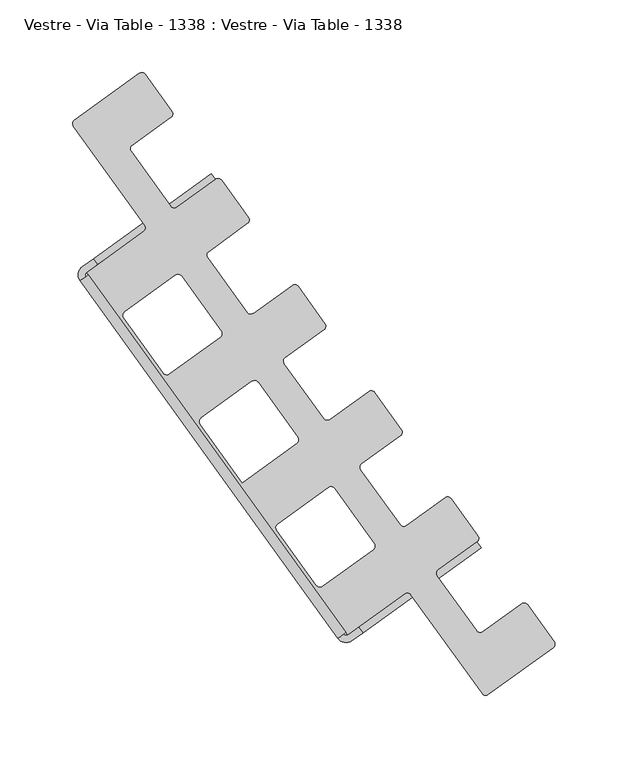
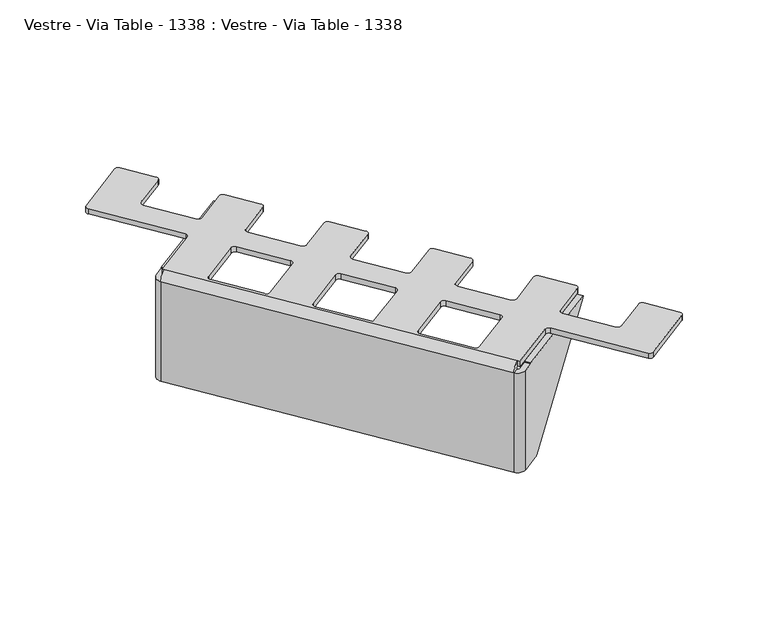
"""IFC4 building model written with IfcOpenShell, lengths in millimetres: furniture geometry, Vestre - Via Table - 1338 : Vestre - Via Table - 1338."""

from ifc_helpers import new_model, si_unit, frame, origin, place, context, project, spatial, polyline, circle_curve, source, transform, mapped, element, save
from ifc_brep_helpers import plane_surface, cylinder_surface, revolved_surface, advanced_brep


def vestre_via_table_1338_vestre_via_table_1338_190912c8(model_context):
    return source(origin(), model_context, "Body", "AdvancedBrep", [
        advanced_brep(
        [(-434.3837169, 55.7606869, 591.4857199), (-505.6182177, 4.4280466, 498.1396839), (-507.3910709, 3.1505022, 497.1951332), (-522.5649807, -7.7840427, 497.1951332), (-522.5649807, -7.7840427, 592.3451332), (-514.8576522, -2.2300272, 592.3451332), (-514.8576522, -2.2300272, 593.3451332), (-433.7278789, 56.2332936, 593.3451332), (-431.4605509, 51.7041983, 591.4857199), (-430.8047129, 52.1768049, 593.3451332), (-511.9344862, -6.2865159, 593.3451332), (-511.9344862, -6.2865159, 592.3451332), (-519.6418146, -11.8405314, 592.3451332), (-519.6418146, -11.8405314, 497.1951332), (-504.4679049, -0.9059864, 497.1951332), (-502.6950517, 0.371558, 498.1396839), (-524.1516324, -17.5555593, 592.3451332), (-520.0951437, -14.6323933, 592.3451332), (-520.0951437, -14.6323933, 497.1951332), (-342.834355, -260.617866, 497.1951332), (-340.0424931, -261.071195, 497.1951332), (-324.8685834, -250.1366501, 497.1951332), (-321.9454173, -254.1931387, 497.1951332), (-337.1193271, -265.1276837, 497.1951332), (-346.8908437, -263.541032, 497.1951332), (-524.1516324, -17.5555593, 497.1951332), (-341.2117595, -259.4485996, 599.3451332), (-346.8908437, -263.541032, 592.3451332), (-342.834355, -260.617866, 592.3451332), (-341.2117595, -259.4485996, 594.3451332), (-518.4725482, -13.4631268, 594.3451332), (-518.4725482, -13.4631268, 599.3451332), (-248.9380633, -201.582954, 591.4857199), (-248.2822253, -201.1103474, 593.3451332), (-329.4119986, -259.5736682, 593.3451332), (-329.4119986, -259.5736682, 592.3451332), (-337.1193271, -265.1276837, 592.3451332), (-320.1725641, -252.9155943, 498.1396839), (-251.8612294, -197.5264654, 591.4857199), (-323.0957301, -248.8591057, 498.1396839), (-340.0424931, -261.071195, 592.3451332), (-332.3351646, -255.5171795, 592.3451332), (-332.3351646, -255.5171795, 593.3451332), (-251.2053913, -197.0538587, 593.3451332), (-321.4414059, -94.4556509, 599.3451332), (-325.6291987, -93.7756573, 599.3451332), (-352.4020239, -113.0685532, 599.3451332), (-356.5898167, -112.3885596, 599.3451332), (-383.8337242, -74.5820852, 599.3451332), (-383.1537307, -70.3942924, 599.3451332), (-356.3809055, -51.1013965, 599.3451332), (-355.7009119, -46.9136037, 599.3451332), (-374.0583946, -21.4388549, 599.3451332), (-378.2461874, -20.7588613, 599.3451332), (-405.0190126, -40.0517572, 599.3451332), (-409.2068055, -39.3717636, 599.3451332), (-436.450713, -1.5652892, 599.3451332), (-435.7707194, 2.6225036, 599.3451332), (-408.9978942, 21.9153995, 599.3451332), (-408.3179006, 26.1031923, 599.3451332), (-426.6753834, 51.5779411, 599.3451332), (-430.8631762, 52.2579347, 599.3451332), (-457.6360014, 32.9650388, 599.3451332), (-461.8237942, 33.6450324, 599.3451332), (-489.0677017, 71.4515068, 599.3451332), (-488.3877081, 75.6392996, 599.3451332), (-461.6148829, 94.9321955, 599.3451332), (-460.9348893, 99.1199883, 599.3451332), (-479.1754454, 124.4324776, 599.3451332), (-483.3632383, 125.1124711, 599.3451332), (-527.9846136, 92.9576447, 599.3451332), (-528.6646072, 88.7698519, 599.3451332), (-479.613881, 20.701972, 599.3451332), (-480.2938746, 16.5141792, 599.3451332), (-519.6418146, -11.8405314, 599.3451332), (-340.0424931, -261.071195, 599.3451332), (-300.694553, -232.7164844, 599.3451332), (-296.5067602, -233.396478, 599.3451332), (-247.4560341, -301.4643578, 599.3451332), (-243.2682412, -302.1443514, 599.3451332), (-198.6468659, -269.989525, 599.3451332), (-197.9668723, -265.8017321, 599.3451332), (-216.2074284, -240.4892429, 599.3451332), (-220.3952213, -239.8092493, 599.3451332), (-247.1680465, -259.1021451, 599.3451332), (-251.3558393, -258.4221516, 599.3451332), (-278.5997468, -220.6156772, 599.3451332), (-277.9197532, -216.4278844, 599.3451332), (-251.146928, -197.1349885, 599.3451332), (-250.4669344, -192.9471957, 599.3451332), (-268.8244172, -167.4724469, 599.3451332), (-273.01221, -166.7924533, 599.3451332), (-299.7850352, -186.0853492, 599.3451332), (-303.972828, -185.4053556, 599.3451332), (-331.2167355, -147.5988812, 599.3451332), (-330.5367419, -143.4110884, 599.3451332), (-303.7639167, -124.1181925, 599.3451332), (-303.0839232, -119.9303997, 599.3451332), (-353.2530785, -159.7808182, 599.3451332), (-349.0652856, -160.4608118, 599.3451332), (-321.8213781, -198.2672862, 599.3451332), (-322.5013717, -202.455079, 599.3451332), (-357.3871742, -227.5943069, 599.3451332), (-361.5749671, -226.9143134, 599.3451332), (-388.8188746, -189.107839, 599.3451332), (-388.138881, -184.9200462, 599.3451332), (-405.8700672, -86.7640222, 599.3451332), (-401.6822744, -87.4440158, 599.3451332), (-374.4383669, -125.2504902, 599.3451332), (-375.1183604, -129.438283, 599.3451332), (-412.4380562, -156.3314106, 599.3451332), (-441.4358633, -116.091043, 599.3451332), (-440.7558697, -111.9032502, 599.3451332), (-458.4870559, -13.7472262, 599.3451332), (-454.2992631, -14.4272198, 599.3451332), (-427.0553556, -52.2336942, 599.3451332), (-427.7353492, -56.421487, 599.3451332), (-462.6211517, -81.5607149, 599.3451332), (-466.8089445, -80.8807214, 599.3451332), (-494.052852, -43.074247, 599.3451332), (-493.3728584, -38.8864542, 599.3451332), (-321.4414059, -94.4556509, 594.3451332), (-303.0839232, -119.9303997, 594.3451332), (-303.7639167, -124.1181925, 594.3451332), (-330.5367419, -143.4110884, 594.3451332), (-331.2167355, -147.5988812, 594.3451332), (-303.972828, -185.4053556, 594.3451332), (-299.7850352, -186.0853492, 594.3451332), (-273.01221, -166.7924533, 594.3451332), (-268.8244172, -167.4724469, 594.3451332), (-250.4669344, -192.9471957, 594.3451332), (-251.146928, -197.1349885, 594.3451332), (-277.9197532, -216.4278844, 594.3451332), (-278.5997468, -220.6156772, 594.3451332), (-251.3558393, -258.4221516, 594.3451332), (-247.1680465, -259.1021451, 594.3451332), (-220.3952213, -239.8092493, 594.3451332), (-216.2074284, -240.4892429, 594.3451332), (-197.9668723, -265.8017321, 594.3451332), (-198.6468659, -269.989525, 594.3451332), (-243.2682412, -302.1443514, 594.3451332), (-247.4560341, -301.4643578, 594.3451332), (-296.5067602, -233.396478, 594.3451332), (-300.694553, -232.7164844, 594.3451332), (-340.0424931, -261.071195, 594.3451332), (-519.6418146, -11.8405314, 594.3451332), (-480.2938746, 16.5141792, 594.3451332), (-479.613881, 20.701972, 594.3451332), (-528.6646072, 88.7698519, 594.3451332), (-527.9846136, 92.9576447, 594.3451332), (-483.3632383, 125.1124711, 594.3451332), (-479.1754454, 124.4324776, 594.3451332), (-460.9348893, 99.1199883, 594.3451332), (-461.6148829, 94.9321955, 594.3451332), (-488.3877081, 75.6392996, 594.3451332), (-489.0677017, 71.4515068, 594.3451332), (-461.8237942, 33.6450324, 594.3451332), (-457.6360014, 32.9650388, 594.3451332), (-430.8631762, 52.2579347, 594.3451332), (-426.6753834, 51.5779411, 594.3451332), (-408.3179006, 26.1031923, 594.3451332), (-408.9978942, 21.9153995, 594.3451332), (-435.7707194, 2.6225036, 594.3451332), (-436.450713, -1.5652892, 594.3451332), (-409.2068055, -39.3717636, 594.3451332), (-405.0190126, -40.0517572, 594.3451332), (-378.2461874, -20.7588613, 594.3451332), (-374.0583946, -21.4388549, 594.3451332), (-355.7009119, -46.9136037, 594.3451332), (-356.3809055, -51.1013965, 594.3451332), (-383.1537307, -70.3942924, 594.3451332), (-383.8337242, -74.5820852, 594.3451332), (-356.5898167, -112.3885596, 594.3451332), (-352.4020239, -113.0685532, 594.3451332), (-325.6291987, -93.7756573, 594.3451332), (-353.2530785, -159.7808182, 594.3451332), (-388.138881, -184.9200462, 594.3451332), (-388.8188746, -189.107839, 594.3451332), (-361.5749671, -226.9143134, 594.3451332), (-357.3871742, -227.5943069, 594.3451332), (-322.5013717, -202.455079, 594.3451332), (-321.8213781, -198.2672862, 594.3451332), (-349.0652856, -160.4608118, 594.3451332), (-405.8700672, -86.7640222, 594.3451332), (-440.7558697, -111.9032502, 594.3451332), (-441.4358633, -116.091043, 594.3451332), (-412.4380562, -156.3314106, 594.3451332), (-375.1183604, -129.438283, 594.3451332), (-374.4383669, -125.2504902, 594.3451332), (-401.6822744, -87.4440158, 594.3451332), (-458.4870559, -13.7472262, 594.3451332), (-493.3728584, -38.8864542, 594.3451332), (-494.052852, -43.074247, 594.3451332), (-466.8089445, -80.8807214, 594.3451332), (-462.6211517, -81.5607149, 594.3451332), (-427.7353492, -56.421487, 594.3451332), (-427.0553556, -52.2336942, 594.3451332), (-454.2992631, -14.4272198, 594.3451332)],
        [
            (0, 1),
            (1, 2, circle_curve(frame((-507.3910709, 3.1505022, 500.1951332), z_axis=(-0.5846332081202801, 0.8112977332416191, 0.0), x_axis=(0.0, 0.0, -1.0)), 3.0)),
            (2, 3),
            (3, 4),
            (4, 5),
            (5, 6),
            (6, 7),
            (7, 0, circle_curve(frame((-436.1565702, 54.4831425, 593.5411692), z_axis=(-0.5846332081209136, 0.8112977332411626, 0.0), x_axis=(0.8095637557041232, 0.5833836781287255, -0.06534531003243231)), 3.0)),
            (8, 9, circle_curve(frame((-433.2334041, 50.4266539, 593.5411692), z_axis=(0.5846332081209136, -0.8112977332411626, 0.0), x_axis=(0.8095637557041232, 0.5833836781287255, -0.06534531003243231)), 3.0)),
            (9, 10),
            (10, 11),
            (11, 12),
            (12, 13),
            (13, 14),
            (14, 15, circle_curve(frame((-504.4679049, -0.9059864, 500.1951332), z_axis=(0.5846332081202801, -0.8112977332416191, 0.0), x_axis=(0.0, 0.0, -1.0)), 3.0)),
            (15, 8),
            (7, 9),
            (8, 0),
            (6, 10),
            (5, 11),
            (4, 16, circle_curve(frame((-518.4725482, -13.4631268, 592.3451332), z_axis=(0.0, 0.0, 1.0), x_axis=(0.8112977332413683, 0.5846332081206281, 0.0)), 7.0)),
            (16, 17),
            (17, 12, circle_curve(frame((-518.4725482, -13.4631268, 592.3451332), z_axis=(0.0, 0.0, -1.0), x_axis=(0.8112977332413683, 0.5846332081206281, 0.0)), 2.0)),
            (2, 14),
            (13, 18, circle_curve(frame((-518.4725482, -13.4631268, 497.1951332), z_axis=(0.0, 0.0, 1.0), x_axis=(0.8112977332413683, 0.5846332081206281, 0.0)), 2.0)),
            (18, 19),
            (19, 20, circle_curve(frame((-341.2117595, -259.4485996, 497.1951332), z_axis=(0.0, 0.0, 1.0), x_axis=(0.8112977332413683, 0.5846332081206281, 0.0)), 2.0)),
            (20, 21),
            (21, 22),
            (22, 23),
            (23, 24, circle_curve(frame((-341.2117595, -259.4485996, 497.1951332), z_axis=(0.0, 0.0, -1.0), x_axis=(0.8112977332413683, 0.5846332081206281, 0.0)), 7.0)),
            (24, 25),
            (25, 3, circle_curve(frame((-518.4725482, -13.4631268, 497.1951332), z_axis=(0.0, 0.0, -1.0), x_axis=(0.8112977332413683, 0.5846332081206281, 0.0)), 7.0)),
            (1, 15),
            (17, 18),
            (25, 16),
            (26, 27, circle_curve(frame((-341.2117595, -259.4485996, 592.3451332), z_axis=(0.5846332081206281, -0.8112977332413683, 0.0), x_axis=(0.8112977332413683, 0.5846332081206281, 0.0)), 7.0)),
            (27, 28),
            (28, 29, circle_curve(frame((-341.2117595, -259.4485996, 592.3451332), z_axis=(-0.5846332081206281, 0.8112977332413683, 0.0), x_axis=(0.8112977332413683, 0.5846332081206281, 0.0)), 2.0)),
            (29, 26),
            (30, 17, circle_curve(frame((-518.4725482, -13.4631268, 592.3451332), z_axis=(0.5846332081206281, -0.8112977332413683, 0.0), x_axis=(0.8112977332413683, 0.5846332081206281, 0.0)), 2.0)),
            (16, 31, circle_curve(frame((-518.4725482, -13.4631268, 592.3451332), z_axis=(-0.5846332081206281, 0.8112977332413683, 0.0), x_axis=(0.8112977332413683, 0.5846332081206281, 0.0)), 7.0)),
            (31, 30),
            (26, 31),
            (16, 27),
            (28, 17),
            (30, 29),
            (24, 27),
            (28, 19),
            (32, 33, circle_curve(frame((-250.7109165, -202.8604984, 593.5411692), z_axis=(0.5846332081203428, -0.811297733241574, 0.0), x_axis=(0.8095637557045451, 0.5833836781281396, -0.0653453100324323)), 3.0)),
            (33, 34),
            (34, 35),
            (35, 36),
            (36, 23),
            (22, 37, circle_curve(frame((-321.9454173, -254.1931387, 500.1951332), z_axis=(0.5846332081209762, -0.8112977332411175, 0.0), x_axis=(0.0, 0.0, -1.0)), 3.0)),
            (37, 32),
            (38, 39),
            (39, 21, circle_curve(frame((-324.8685834, -250.1366501, 500.1951332), z_axis=(-0.5846332081209762, 0.8112977332411175, 0.0), x_axis=(0.0, 0.0, -1.0)), 3.0)),
            (20, 40),
            (40, 41),
            (41, 42),
            (42, 43),
            (43, 38, circle_curve(frame((-253.6340826, -198.8040098, 593.5411692), z_axis=(-0.5846332081203428, 0.811297733241574, 0.0), x_axis=(0.8095637557045451, 0.5833836781281396, -0.0653453100324323)), 3.0)),
            (32, 38),
            (43, 33),
            (42, 34),
            (41, 35),
            (40, 28, circle_curve(frame((-341.2117595, -259.4485996, 592.3451332), z_axis=(0.0, 0.0, -1.0), x_axis=(0.8112977332413683, 0.5846332081206281, 0.0)), 2.0)),
            (27, 36, circle_curve(frame((-341.2117595, -259.4485996, 592.3451332), z_axis=(0.0, 0.0, 1.0), x_axis=(0.8112977332413683, 0.5846332081206281, 0.0)), 7.0)),
            (39, 37),
            (44, 45, circle_curve(frame((-323.8752991, -96.2095505, 599.3451332), z_axis=(0.0, 0.0, 1.0), x_axis=(-0.5846332081207013, 0.8112977332413156, 0.0)), 3.0)),
            (45, 46),
            (46, 47, circle_curve(frame((-354.1559235, -110.63466, 599.3451332), z_axis=(0.0, 0.0, -1.0), x_axis=(0.5846332081206281, -0.8112977332413683, 0.0)), 3.0)),
            (47, 48),
            (48, 49, circle_curve(frame((-381.399831, -72.8281856, 599.3451332), z_axis=(0.0, 0.0, -1.0), x_axis=(-0.8112977332414211, -0.584633208120555, 0.0)), 3.0)),
            (49, 50),
            (50, 51, circle_curve(frame((-358.1348051, -48.6675033, 599.3451332), z_axis=(0.0, 0.0, 1.0), x_axis=(0.8112977332412629, 0.5846332081207746, 0.0)), 3.0)),
            (51, 52),
            (52, 53, circle_curve(frame((-376.4922878, -23.1927545, 599.3451332), z_axis=(0.0, 0.0, 1.0), x_axis=(-0.584633208120555, 0.8112977332414211, 0.0)), 3.0)),
            (53, 54),
            (54, 55, circle_curve(frame((-406.7729123, -37.617864, 599.3451332), z_axis=(0.0, 0.0, -1.0), x_axis=(0.5846332081205915, -0.8112977332413948, 0.0)), 3.0)),
            (55, 56),
            (56, 57, circle_curve(frame((-434.0168198, 0.1886104, 599.3451332), z_axis=(0.0, 0.0, -1.0), x_axis=(-0.8112977332412629, -0.5846332081207746, 0.0)), 3.0)),
            (57, 58),
            (58, 59, circle_curve(frame((-410.7517938, 24.3492927, 599.3451332), z_axis=(0.0, 0.0, 1.0), x_axis=(0.8112977332412629, 0.5846332081207746, 0.0)), 3.0)),
            (59, 60),
            (60, 61, circle_curve(frame((-429.1092766, 49.8240415, 599.3451332), z_axis=(0.0, 0.0, 1.0), x_axis=(-0.584633208120555, 0.8112977332414211, 0.0)), 3.0)),
            (61, 62),
            (62, 63, circle_curve(frame((-459.389901, 35.398932, 599.3451332), z_axis=(0.0, 0.0, -1.0), x_axis=(0.5846332081205915, -0.8112977332413948, 0.0)), 3.0)),
            (63, 64),
            (64, 65, circle_curve(frame((-486.6338085, 73.2054064, 599.3451332), z_axis=(0.0, 0.0, -1.0), x_axis=(-0.8112977332413156, -0.5846332081207013, 0.0)), 3.0)),
            (65, 66),
            (66, 67, circle_curve(frame((-463.3687825, 97.3660887, 599.3451332), z_axis=(0.0, 0.0, 1.0), x_axis=(0.81129773324121, 0.5846332081208477, 0.0)), 3.0)),
            (67, 68),
            (68, 69, circle_curve(frame((-481.6093386, 122.6785779, 599.3451332), z_axis=(0.0, 0.0, 1.0), x_axis=(-0.5846332081207379, 0.8112977332412892, 0.0)), 3.0)),
            (69, 70),
            (70, 71, circle_curve(frame((-526.230714, 90.5237515, 599.3451332), z_axis=(0.0, 0.0, 1.0), x_axis=(-0.5846332081204085, 0.8112977332415267, 0.0)), 3.0)),
            (71, 72),
            (72, 73, circle_curve(frame((-482.0477742, 18.9480724, 599.3451332), z_axis=(0.0, 0.0, -1.0), x_axis=(0.8112977332413156, 0.5846332081207013, 0.0)), 3.0)),
            (73, 74),
            (74, 31),
            (26, 75),
            (75, 76),
            (76, 77, circle_curve(frame((-298.9406534, -235.1503776, 599.3451332), z_axis=(0.0, 0.0, -1.0), x_axis=(-0.5846332081206281, 0.8112977332413683, 0.0)), 3.0)),
            (77, 78),
            (78, 79, circle_curve(frame((-245.0221409, -299.7104582, 599.3451332), z_axis=(0.0, 0.0, 1.0), x_axis=(0.5846332081206281, -0.8112977332413683, 0.0)), 3.0)),
            (79, 80),
            (80, 81, circle_curve(frame((-200.4007655, -267.5556318, 599.3451332), z_axis=(0.0, 0.0, 1.0), x_axis=(0.8112977332413683, 0.5846332081206281, 0.0)), 3.0)),
            (81, 82),
            (82, 83, circle_curve(frame((-218.6413216, -242.2431425, 599.3451332), z_axis=(0.0, 0.0, 1.0), x_axis=(-0.584633208120555, 0.8112977332414211, 0.0)), 3.0)),
            (83, 84),
            (84, 85, circle_curve(frame((-248.9219461, -256.6682519, 599.3451332), z_axis=(0.0, 0.0, -1.0), x_axis=(0.5846332081205915, -0.8112977332413948, 0.0)), 3.0)),
            (85, 86),
            (86, 87, circle_curve(frame((-276.1658536, -218.8617776, 599.3451332), z_axis=(0.0, 0.0, -1.0), x_axis=(-0.8112977332413156, -0.5846332081207013, 0.0)), 3.0)),
            (87, 88),
            (88, 89, circle_curve(frame((-252.9008276, -194.7010953, 599.3451332), z_axis=(0.0, 0.0, 1.0), x_axis=(0.8112977332414211, 0.584633208120555, 0.0)), 3.0)),
            (89, 90),
            (90, 91, circle_curve(frame((-271.2583104, -169.2263465, 599.3451332), z_axis=(0.0, 0.0, 1.0), x_axis=(-0.584633208120555, 0.8112977332414211, 0.0)), 3.0)),
            (91, 92),
            (92, 93, circle_curve(frame((-301.5389348, -183.651456, 599.3451332), z_axis=(0.0, 0.0, -1.0), x_axis=(0.5846332081207379, -0.8112977332412892, 0.0)), 3.0)),
            (93, 94),
            (94, 95, circle_curve(frame((-328.7828423, -145.8449816, 599.3451332), z_axis=(0.0, 0.0, -1.0), x_axis=(-0.8112977332415794, -0.5846332081203353, 0.0)), 3.0)),
            (95, 96),
            (96, 97, circle_curve(frame((-305.5178164, -121.6842993, 599.3451332), z_axis=(0.0, 0.0, 1.0), x_axis=(0.8112977332413156, 0.5846332081207013, 0.0)), 3.0)),
            (97, 44),
            (98, 99, circle_curve(frame((-351.4991788, -162.2147114, 599.3451332), z_axis=(0.0, 0.0, -1.0), x_axis=(-0.584633208120555, 0.8112977332414211, 0.0)), 3.0)),
            (99, 100),
            (100, 101, circle_curve(frame((-324.2552713, -200.0211858, 599.3451332), z_axis=(0.0, 0.0, -1.0), x_axis=(0.8112977332413156, 0.5846332081207013, 0.0)), 3.0)),
            (101, 102),
            (102, 103, circle_curve(frame((-359.1410739, -225.1604137, 599.3451332), z_axis=(0.0, 0.0, -1.0), x_axis=(0.5846332081206648, -0.8112977332413419, 0.0)), 3.0)),
            (103, 104),
            (104, 105, circle_curve(frame((-386.3849814, -187.3539394, 599.3451332), z_axis=(0.0, 0.0, -1.0), x_axis=(-0.8112977332413683, -0.5846332081206281, 0.0)), 3.0)),
            (105, 98),
            (106, 107, circle_curve(frame((-404.1161676, -89.1979154, 599.3451332), z_axis=(0.0, 0.0, -1.0), x_axis=(-0.584633208120555, 0.8112977332414211, 0.0)), 3.0)),
            (107, 108),
            (108, 109, circle_curve(frame((-376.8722601, -127.0043898, 599.3451332), z_axis=(0.0, 0.0, -1.0), x_axis=(0.8112977332413156, 0.5846332081207013, 0.0)), 3.0)),
            (109, 110),
            (110, 111),
            (111, 112, circle_curve(frame((-439.0019701, -114.3371434, 599.3451332), z_axis=(0.0, 0.0, -1.0), x_axis=(-0.8112977332414211, -0.584633208120555, 0.0)), 3.0)),
            (112, 106),
            (113, 114, circle_curve(frame((-456.7331563, -16.1811194, 599.3451332), z_axis=(0.0, 0.0, -1.0), x_axis=(-0.584633208120555, 0.8112977332414211, 0.0)), 3.0)),
            (114, 115),
            (115, 116, circle_curve(frame((-429.4892488, -53.9875938, 599.3451332), z_axis=(0.0, 0.0, -1.0), x_axis=(0.8112977332413156, 0.5846332081207013, 0.0)), 3.0)),
            (116, 117),
            (117, 118, circle_curve(frame((-464.3750513, -79.1268217, 599.3451332), z_axis=(0.0, 0.0, -1.0), x_axis=(0.5846332081207379, -0.8112977332412892, 0.0)), 3.0)),
            (118, 119),
            (119, 120, circle_curve(frame((-491.6189588, -41.3203474, 599.3451332), z_axis=(0.0, 0.0, -1.0), x_axis=(-0.8112977332413156, -0.5846332081207013, 0.0)), 3.0)),
            (120, 113),
            (121, 122),
            (122, 123, circle_curve(frame((-305.5178164, -121.6842993, 594.3451332), z_axis=(0.0, 0.0, -1.0), x_axis=(0.8112977332413156, 0.5846332081207013, 0.0)), 3.0)),
            (123, 124),
            (124, 125, circle_curve(frame((-328.7828423, -145.8449816, 594.3451332), z_axis=(0.0, 0.0, 1.0), x_axis=(-0.8112977332415794, -0.5846332081203353, 0.0)), 3.0)),
            (125, 126),
            (126, 127, circle_curve(frame((-301.5389348, -183.651456, 594.3451332), z_axis=(0.0, 0.0, 1.0), x_axis=(0.5846332081207379, -0.8112977332412892, 0.0)), 3.0)),
            (127, 128),
            (128, 129, circle_curve(frame((-271.2583104, -169.2263465, 594.3451332), z_axis=(0.0, 0.0, -1.0), x_axis=(-0.584633208120555, 0.8112977332414211, 0.0)), 3.0)),
            (129, 130),
            (130, 131, circle_curve(frame((-252.9008276, -194.7010953, 594.3451332), z_axis=(0.0, 0.0, -1.0), x_axis=(0.8112977332414211, 0.584633208120555, 0.0)), 3.0)),
            (131, 132),
            (132, 133, circle_curve(frame((-276.1658536, -218.8617776, 594.3451332), z_axis=(0.0, 0.0, 1.0), x_axis=(-0.8112977332413156, -0.5846332081207013, 0.0)), 3.0)),
            (133, 134),
            (134, 135, circle_curve(frame((-248.9219461, -256.6682519, 594.3451332), z_axis=(0.0, 0.0, 1.0), x_axis=(0.5846332081205915, -0.8112977332413948, 0.0)), 3.0)),
            (135, 136),
            (136, 137, circle_curve(frame((-218.6413216, -242.2431425, 594.3451332), z_axis=(0.0, 0.0, -1.0), x_axis=(-0.584633208120555, 0.8112977332414211, 0.0)), 3.0)),
            (137, 138),
            (138, 139, circle_curve(frame((-200.4007655, -267.5556318, 594.3451332), z_axis=(0.0, 0.0, -1.0), x_axis=(0.8112977332413683, 0.5846332081206281, 0.0)), 3.0)),
            (139, 140),
            (140, 141, circle_curve(frame((-245.0221409, -299.7104582, 594.3451332), z_axis=(0.0, 0.0, -1.0), x_axis=(0.5846332081206281, -0.8112977332413683, 0.0)), 3.0)),
            (141, 142),
            (142, 143, circle_curve(frame((-298.9406534, -235.1503776, 594.3451332), z_axis=(0.0, 0.0, 1.0), x_axis=(-0.5846332081206281, 0.8112977332413683, 0.0)), 3.0)),
            (143, 144),
            (144, 29),
            (30, 145),
            (145, 146),
            (146, 147, circle_curve(frame((-482.0477742, 18.9480724, 594.3451332), z_axis=(0.0, 0.0, 1.0), x_axis=(0.8112977332413156, 0.5846332081207013, 0.0)), 3.0)),
            (147, 148),
            (148, 149, circle_curve(frame((-526.230714, 90.5237515, 594.3451332), z_axis=(0.0, 0.0, -1.0), x_axis=(-0.5846332081204085, 0.8112977332415267, 0.0)), 3.0)),
            (149, 150),
            (150, 151, circle_curve(frame((-481.6093386, 122.6785779, 594.3451332), z_axis=(0.0, 0.0, -1.0), x_axis=(-0.5846332081207379, 0.8112977332412892, 0.0)), 3.0)),
            (151, 152),
            (152, 153, circle_curve(frame((-463.3687825, 97.3660887, 594.3451332), z_axis=(0.0, 0.0, -1.0), x_axis=(0.81129773324121, 0.5846332081208477, 0.0)), 3.0)),
            (153, 154),
            (154, 155, circle_curve(frame((-486.6338085, 73.2054064, 594.3451332), z_axis=(0.0, 0.0, 1.0), x_axis=(-0.8112977332413156, -0.5846332081207013, 0.0)), 3.0)),
            (155, 156),
            (156, 157, circle_curve(frame((-459.389901, 35.398932, 594.3451332), z_axis=(0.0, 0.0, 1.0), x_axis=(0.5846332081205915, -0.8112977332413948, 0.0)), 3.0)),
            (157, 158),
            (158, 159, circle_curve(frame((-429.1092766, 49.8240415, 594.3451332), z_axis=(0.0, 0.0, -1.0), x_axis=(-0.584633208120555, 0.8112977332414211, 0.0)), 3.0)),
            (159, 160),
            (160, 161, circle_curve(frame((-410.7517938, 24.3492927, 594.3451332), z_axis=(0.0, 0.0, -1.0), x_axis=(0.8112977332412629, 0.5846332081207746, 0.0)), 3.0)),
            (161, 162),
            (162, 163, circle_curve(frame((-434.0168198, 0.1886104, 594.3451332), z_axis=(0.0, 0.0, 1.0), x_axis=(-0.8112977332412629, -0.5846332081207746, 0.0)), 3.0)),
            (163, 164),
            (164, 165, circle_curve(frame((-406.7729123, -37.617864, 594.3451332), z_axis=(0.0, 0.0, 1.0), x_axis=(0.5846332081205915, -0.8112977332413948, 0.0)), 3.0)),
            (165, 166),
            (166, 167, circle_curve(frame((-376.4922878, -23.1927545, 594.3451332), z_axis=(0.0, 0.0, -1.0), x_axis=(-0.584633208120555, 0.8112977332414211, 0.0)), 3.0)),
            (167, 168),
            (168, 169, circle_curve(frame((-358.1348051, -48.6675033, 594.3451332), z_axis=(0.0, 0.0, -1.0), x_axis=(0.8112977332412629, 0.5846332081207746, 0.0)), 3.0)),
            (169, 170),
            (170, 171, circle_curve(frame((-381.399831, -72.8281856, 594.3451332), z_axis=(0.0, 0.0, 1.0), x_axis=(-0.8112977332414211, -0.584633208120555, 0.0)), 3.0)),
            (171, 172),
            (172, 173, circle_curve(frame((-354.1559235, -110.63466, 594.3451332), z_axis=(0.0, 0.0, 1.0), x_axis=(0.5846332081206281, -0.8112977332413683, 0.0)), 3.0)),
            (173, 174),
            (174, 121, circle_curve(frame((-323.8752991, -96.2095505, 594.3451332), z_axis=(0.0, 0.0, -1.0), x_axis=(-0.5846332081207013, 0.8112977332413156, 0.0)), 3.0)),
            (175, 176),
            (176, 177, circle_curve(frame((-386.3849814, -187.3539394, 594.3451332), z_axis=(0.0, 0.0, 1.0), x_axis=(-0.8112977332413683, -0.5846332081206281, 0.0)), 3.0)),
            (177, 178),
            (178, 179, circle_curve(frame((-359.1410739, -225.1604137, 594.3451332), z_axis=(0.0, 0.0, 1.0), x_axis=(0.5846332081206648, -0.8112977332413419, 0.0)), 3.0)),
            (179, 180),
            (180, 181, circle_curve(frame((-324.2552713, -200.0211858, 594.3451332), z_axis=(0.0, 0.0, 1.0), x_axis=(0.8112977332413156, 0.5846332081207013, 0.0)), 3.0)),
            (181, 182),
            (182, 175, circle_curve(frame((-351.4991788, -162.2147114, 594.3451332), z_axis=(0.0, 0.0, 1.0), x_axis=(-0.584633208120555, 0.8112977332414211, 0.0)), 3.0)),
            (183, 184),
            (184, 185, circle_curve(frame((-439.0019701, -114.3371434, 594.3451332), z_axis=(0.0, 0.0, 1.0), x_axis=(-0.8112977332414211, -0.584633208120555, 0.0)), 3.0)),
            (185, 186),
            (186, 187),
            (187, 188, circle_curve(frame((-376.8722601, -127.0043898, 594.3451332), z_axis=(0.0, 0.0, 1.0), x_axis=(0.8112977332413156, 0.5846332081207013, 0.0)), 3.0)),
            (188, 189),
            (189, 183, circle_curve(frame((-404.1161676, -89.1979154, 594.3451332), z_axis=(0.0, 0.0, 1.0), x_axis=(-0.584633208120555, 0.8112977332414211, 0.0)), 3.0)),
            (190, 191),
            (191, 192, circle_curve(frame((-491.6189588, -41.3203474, 594.3451332), z_axis=(0.0, 0.0, 1.0), x_axis=(-0.8112977332413156, -0.5846332081207013, 0.0)), 3.0)),
            (192, 193),
            (193, 194, circle_curve(frame((-464.3750513, -79.1268217, 594.3451332), z_axis=(0.0, 0.0, 1.0), x_axis=(0.5846332081207379, -0.8112977332412892, 0.0)), 3.0)),
            (194, 195),
            (195, 196, circle_curve(frame((-429.4892488, -53.9875938, 594.3451332), z_axis=(0.0, 0.0, 1.0), x_axis=(0.8112977332413156, 0.5846332081207013, 0.0)), 3.0)),
            (196, 197),
            (197, 190, circle_curve(frame((-456.7331563, -16.1811194, 594.3451332), z_axis=(0.0, 0.0, 1.0), x_axis=(-0.584633208120555, 0.8112977332414211, 0.0)), 3.0)),
            (44, 121),
            (174, 45),
            (173, 46),
            (172, 47),
            (171, 48),
            (170, 49),
            (169, 50),
            (168, 51),
            (167, 52),
            (166, 53),
            (165, 54),
            (164, 55),
            (163, 56),
            (162, 57),
            (161, 58),
            (160, 59),
            (159, 60),
            (158, 61),
            (157, 62),
            (156, 63),
            (155, 64),
            (154, 65),
            (153, 66),
            (152, 67),
            (151, 68),
            (150, 69),
            (149, 70),
            (148, 71),
            (147, 72),
            (146, 73),
            (145, 74),
            (144, 75),
            (143, 76),
            (142, 77),
            (141, 78),
            (140, 79),
            (139, 80),
            (138, 81),
            (137, 82),
            (136, 83),
            (135, 84),
            (134, 85),
            (133, 86),
            (132, 87),
            (131, 88),
            (130, 89),
            (129, 90),
            (128, 91),
            (127, 92),
            (126, 93),
            (125, 94),
            (124, 95),
            (123, 96),
            (122, 97),
            (98, 175),
            (182, 99),
            (181, 100),
            (180, 101),
            (179, 102),
            (178, 103),
            (177, 104),
            (176, 105),
            (106, 183),
            (189, 107),
            (188, 108),
            (187, 109),
            (186, 110),
            (185, 111),
            (184, 112),
            (113, 190),
            (197, 114),
            (196, 115),
            (195, 116),
            (194, 117),
            (193, 118),
            (192, 119),
            (191, 120),
        ],
        [
            plane_surface(frame((-505.6182177, 4.4280466, 498.1396839), z_axis=(-0.584633208120628, 0.8112977332413683, 0.0), x_axis=(-0.555860446223073, -0.40056130151429403, -0.7284022295777663))),
            plane_surface(frame((-502.6950517, 0.371558, 498.1396839), z_axis=(0.584633208120628, -0.8112977332413683, 0.0), x_axis=(0.555860446223073, 0.40056130151429403, 0.7284022295777663))),
            cylinder_surface(frame((-433.2334041, 50.4266539, 593.5411692), z_axis=(-0.5846332081209137, 0.8112977332411628, 0.0), x_axis=(0.8095637557041232, 0.5833836781287255, -0.06534531003243231)), 3.0),
            plane_surface(frame((-514.8576522, -2.2300272, 593.3451332), z_axis=(0.0, 0.0, 1.0000000000000002), x_axis=(0.5846332081206259, -0.81129773324137, 0.0))),
            plane_surface(frame((-514.8576522, -2.2300272, 592.3451332), z_axis=(-0.8112977332413702, -0.5846332081206255, 0.0), x_axis=(0.5846332081206255, -0.8112977332413702, 0.0))),
            plane_surface(frame((-522.5649807, -7.7840427, 592.3451332), z_axis=(0.0, 0.0, 1.0000000000000002), x_axis=(0.5846332081206264, -0.8112977332413697, 0.0))),
            plane_surface(frame((-507.3910709, 3.1505022, 497.1951332), z_axis=(0.0, 0.0, -1.0), x_axis=(0.5846332081206378, -0.8112977332413613, 0.0))),
            cylinder_surface(frame((-504.4679049, -0.9059864, 500.1951332), z_axis=(-0.5846332081202801, 0.8112977332416191, 0.0), x_axis=(0.0, 0.0, -1.0)), 3.0),
            plane_surface(frame((-434.3837169, 55.7606869, 591.4857199), z_axis=(0.5909510777444016, 0.4258481322802667, -0.6851497587725907), x_axis=(0.5846332081206265, -0.8112977332413696, 0.0))),
            revolved_surface(polyline([(-516.8499527335173, -12.293860383758743, 497.1951332), (-516.8499527335173, -12.293860383758743, 592.3451332)]), (-518.4725482, -13.4631268, 497.1951332), (0.0, 0.0, -1.0000000000000002)),
            cylinder_surface(frame((-518.4725482, -13.4631268, 497.1951332), z_axis=(0.0, 0.0, 1.0000000000000002), x_axis=(0.8112977332413683, 0.5846332081206281, 0.0)), 7.0),
            plane_surface(frame((-341.2117595, -259.4485996, 599.3451332), z_axis=(0.5846332081206281, -0.8112977332413683, 0.0), x_axis=(0.0, 0.0, 1.0))),
            plane_surface(frame((-518.4725482, -13.4631268, 599.3451332), z_axis=(-0.5846332081206281, 0.8112977332413683, 0.0), x_axis=(0.0, 0.0, -1.0))),
            cylinder_surface(frame((-518.4725482, -13.4631268, 592.3451332), z_axis=(0.5846332081206281, -0.8112977332413683, 0.0), x_axis=(0.8112977332413683, 0.5846332081206281, 0.0)), 7.0),
            revolved_surface(polyline([(-516.8499527335173, -12.293860383758743, 592.3451332), (-339.5891639935638, -258.2793331549678, 592.3451332)]), (-518.4725482, -13.4631268, 592.3451332), (-0.5846332081206281, 0.8112977332413683, 0.0)),
            plane_surface(frame((-346.8908437, -263.541032, 592.3451332), z_axis=(-0.8112977332413683, -0.584633208120628, 0.0), x_axis=(-0.584633208120628, 0.8112977332413683, 0.0))),
            plane_surface(frame((-342.834355, -260.617866, 497.1951332), z_axis=(0.8112977332413683, 0.584633208120628, 0.0), x_axis=(-0.584633208120628, 0.8112977332413683, 0.0))),
            plane_surface(frame((-248.2822253, -201.1103474, 593.3451332), z_axis=(0.5846332081206282, -0.8112977332413683, 0.0), x_axis=(0.05301450190726679, 0.03820303823989797, 0.9978627112267325))),
            plane_surface(frame((-251.2053913, -197.0538587, 593.3451332), z_axis=(-0.5846332081206282, 0.8112977332413683, 0.0), x_axis=(-0.05301450190726679, -0.03820303823989797, -0.9978627112267325))),
            cylinder_surface(frame((-253.6340826, -198.8040098, 593.5411692), z_axis=(0.5846332081203428, -0.811297733241574, 0.0), x_axis=(0.8095637557045451, 0.5833836781281396, -0.0653453100324323)), 3.0),
            plane_surface(frame((-248.2822253, -201.1103474, 593.3451332), z_axis=(0.0, 0.0, 1.0000000000000002), x_axis=(-0.5846332081206265, 0.8112977332413696, 0.0))),
            plane_surface(frame((-329.4119986, -259.5736682, 593.3451332), z_axis=(-0.8112977332413631, -0.5846332081206352, 0.0), x_axis=(-0.5846332081206352, 0.8112977332413631, 0.0))),
            plane_surface(frame((-329.4119986, -259.5736682, 592.3451332), z_axis=(0.0, 0.0, 1.0), x_axis=(-0.584633208120632, 0.8112977332413654, 0.0))),
            cylinder_surface(frame((-324.8685834, -250.1366501, 500.1951332), z_axis=(0.5846332081209762, -0.8112977332411175, 0.0), x_axis=(0.0, 0.0, -1.0)), 3.0),
            plane_surface(frame((-320.1725641, -252.9155943, 498.1396839), z_axis=(0.5909510777444034, 0.4258481322802644, -0.6851497587725904), x_axis=(-0.5846332081206232, 0.8112977332413719, 0.0))),
            revolved_surface(polyline([(-339.5891640335173, -258.27933318375875, 497.1951332), (-339.5891640335173, -258.27933318375875, 592.3451332)]), (-341.2117595, -259.4485996, 497.1951332), (0.0, 0.0, -1.0000000000000002)),
            cylinder_surface(frame((-341.2117595, -259.4485996, 497.1951332), z_axis=(0.0, 0.0, 1.0000000000000002), x_axis=(0.8112977332413683, 0.5846332081206281, 0.0)), 7.0),
            plane_surface(frame((-325.6291987, -93.7756573, 599.3451332), z_axis=(0.0, 0.0, 1.0), x_axis=(-0.8112977332413156, -0.5846332081207013, 0.0))),
            plane_surface(frame((-325.6291987, -93.7756573, 594.3451332), z_axis=(0.0, 0.0, -1.0), x_axis=(0.8112977332413156, 0.5846332081207013, 0.0))),
            cylinder_surface(frame((-323.8752991, -96.2095505, 594.3451332), z_axis=(0.0, 0.0, 1.0), x_axis=(-0.5846332081207013, 0.8112977332413156, 0.0)), 3.0),
            plane_surface(frame((-325.6291987, -93.7756573, 599.3451332), z_axis=(-0.5846332081206261, 0.8112977332413697, 0.0), x_axis=(0.0, 0.0, -1.0))),
            revolved_surface(polyline([(-352.40202387563806, -113.06855319972411, 594.3451332), (-352.40202387563806, -113.06855319972411, 599.3451332)]), (-354.1559235, -110.63466, 594.3451332), (0.0, 0.0, -1.0000000000000002)),
            plane_surface(frame((-356.5898167, -112.3885596, 599.3451332), z_axis=(0.8112977332413669, 0.5846332081206299, 0.0), x_axis=(0.0, 0.0, -1.0))),
            revolved_surface(polyline([(-383.83372419972426, -74.58208522436166, 594.3451332), (-383.83372419972426, -74.58208522436166, 599.3451332)]), (-381.399831, -72.8281856, 594.3451332), (0.0, 0.0, -1.0)),
            plane_surface(frame((-383.1537307, -70.3942924, 599.3451332), z_axis=(0.584633208120662, -0.8112977332413439, 0.0), x_axis=(0.0, 0.0, -1.0))),
            cylinder_surface(frame((-358.1348051, -48.6675033, 594.3451332), z_axis=(0.0, 0.0, 1.0000000000000002), x_axis=(0.8112977332412629, 0.5846332081207746, 0.0)), 3.0),
            plane_surface(frame((-355.7009119, -46.9136037, 599.3451332), z_axis=(0.811297733241366, 0.5846332081206314, 0.0), x_axis=(0.0, 0.0, -1.0))),
            cylinder_surface(frame((-376.4922878, -23.1927545, 594.3451332), z_axis=(0.0, 0.0, 1.0), x_axis=(-0.584633208120555, 0.8112977332414211, 0.0)), 3.0),
            plane_surface(frame((-378.2461874, -20.7588613, 599.3451332), z_axis=(-0.5846332081206285, 0.8112977332413681, 0.0), x_axis=(0.0, 0.0, -1.0))),
            revolved_surface(polyline([(-405.0190126756382, -40.05175719972418, 594.3451332), (-405.0190126756382, -40.05175719972418, 599.3451332)]), (-406.7729123, -37.617864, 594.3451332), (0.0, 0.0, -1.0000000000000002)),
            plane_surface(frame((-409.2068055, -39.3717636, 599.3451332), z_axis=(0.811297733241375, 0.5846332081206189, 0.0), x_axis=(0.0, 0.0, -1.0))),
            revolved_surface(polyline([(-436.4507129997238, -1.5652892243623238, 594.3451332), (-436.4507129997238, -1.5652892243623238, 599.3451332)]), (-434.0168198, 0.1886104, 594.3451332), (0.0, 0.0, -1.0000000000000002)),
            plane_surface(frame((-435.7707194, 2.6225036, 599.3451332), z_axis=(0.5846332081206079, -0.8112977332413828, 0.0), x_axis=(0.0, 0.0, -1.0))),
            cylinder_surface(frame((-410.7517938, 24.3492927, 594.3451332), z_axis=(0.0, 0.0, 1.0000000000000002), x_axis=(0.8112977332412629, 0.5846332081207746, 0.0)), 3.0),
            plane_surface(frame((-408.3179006, 26.1031923, 599.3451332), z_axis=(0.811297733241368, 0.5846332081206286, 0.0), x_axis=(0.0, 0.0, -1.0))),
            cylinder_surface(frame((-429.1092766, 49.8240415, 594.3451332), z_axis=(0.0, 0.0, 1.0), x_axis=(-0.584633208120555, 0.8112977332414211, 0.0)), 3.0),
            plane_surface(frame((-430.8631762, 52.2579347, 599.3451332), z_axis=(-0.5846332081206287, 0.8112977332413679, 0.0), x_axis=(0.0, 0.0, -1.0))),
            revolved_surface(polyline([(-457.6360013756382, 32.96503880027582, 594.3451332), (-457.6360013756382, 32.96503880027582, 599.3451332)]), (-459.389901, 35.398932, 594.3451332), (0.0, 0.0, -1.0000000000000002)),
            plane_surface(frame((-461.8237942, 33.6450324, 599.3451332), z_axis=(0.8112977332413718, 0.5846332081206232, 0.0), x_axis=(0.0, 0.0, -1.0))),
            revolved_surface(polyline([(-489.06770169972395, 71.4515067756379, 594.3451332), (-489.06770169972395, 71.4515067756379, 599.3451332)]), (-486.6338085, 73.2054064, 594.3451332), (0.0, 0.0, -1.0)),
            plane_surface(frame((-488.3877081, 75.6392996, 599.3451332), z_axis=(0.5846332081206218, -0.8112977332413728, 0.0), x_axis=(0.0, 0.0, -1.0))),
            cylinder_surface(frame((-463.3687825, 97.3660887, 594.3451332), z_axis=(0.0, 0.0, 1.0), x_axis=(0.81129773324121, 0.5846332081208477, 0.0)), 3.0),
            plane_surface(frame((-460.9348893, 99.1199883, 599.3451332), z_axis=(0.8112977332413697, 0.5846332081206262, 0.0), x_axis=(0.0, 0.0, -1.0))),
            cylinder_surface(frame((-481.6093386, 122.6785779, 594.3451332), z_axis=(0.0, 0.0, 1.0), x_axis=(-0.5846332081207379, 0.8112977332412892, 0.0)), 3.0),
            plane_surface(frame((-483.3632383, 125.1124711, 599.3451332), z_axis=(-0.584633208120632, 0.8112977332413654, 0.0), x_axis=(0.0, 0.0, -1.0))),
            cylinder_surface(frame((-526.230714, 90.5237515, 594.3451332), z_axis=(0.0, 0.0, 1.0000000000000002), x_axis=(-0.5846332081204085, 0.8112977332415267, 0.0)), 3.0),
            plane_surface(frame((-528.6646072, 88.7698519, 599.3451332), z_axis=(-0.8112977332413687, -0.5846332081206276, 0.0), x_axis=(0.0, 0.0, -1.0))),
            revolved_surface(polyline([(-479.613881000276, 20.701972024362107, 594.3451332), (-479.613881000276, 20.701972024362107, 599.3451332)]), (-482.0477742, 18.9480724, 594.3451332), (0.0, 0.0, -1.0)),
            plane_surface(frame((-480.2938746, 16.5141792, 599.3451332), z_axis=(-0.5846332081206239, 0.8112977332413714, 0.0), x_axis=(0.0, 0.0, -1.0))),
            plane_surface(frame((-519.6418146, -11.8405314, 599.3451332), z_axis=(-0.8112977332413747, -0.5846332081206193, 0.0), x_axis=(0.0, 0.0, -1.0))),
            plane_surface(frame((-341.2117595, -259.4485996, 599.3451332), z_axis=(-0.8112977332379279, -0.5846332081254025, 0.0), x_axis=(0.0, 0.0, -1.0))),
            plane_surface(frame((-340.0424931, -261.071195, 599.3451332), z_axis=(0.5846332081206281, -0.8112977332413682, 0.0), x_axis=(0.0, 0.0, -1.0))),
            revolved_surface(polyline([(-300.6945530243619, -232.7164844002759, 594.3451332), (-300.6945530243619, -232.7164844002759, 599.3451332)]), (-298.9406534, -235.1503776, 594.3451332), (0.0, 0.0, -1.0000000000000002)),
            plane_surface(frame((-296.5067602, -233.396478, 599.3451332), z_axis=(-0.8112977332413694, -0.5846332081206265, 0.0), x_axis=(0.0, 0.0, -1.0))),
            cylinder_surface(frame((-245.0221409, -299.7104582, 594.3451332), z_axis=(0.0, 0.0, 1.0000000000000002), x_axis=(0.5846332081206281, -0.8112977332413683, 0.0)), 3.0),
            plane_surface(frame((-243.2682412, -302.1443514, 599.3451332), z_axis=(0.5846332081206281, -0.8112977332413683, 0.0), x_axis=(0.0, 0.0, -1.0))),
            cylinder_surface(frame((-200.4007655, -267.5556318, 594.3451332), z_axis=(0.0, 0.0, 1.0000000000000002), x_axis=(0.8112977332413683, 0.5846332081206281, 0.0)), 3.0),
            plane_surface(frame((-197.9668723, -265.8017321, 599.3451332), z_axis=(0.811297733241371, 0.5846332081206242, 0.0), x_axis=(0.0, 0.0, -1.0))),
            cylinder_surface(frame((-218.6413216, -242.2431425, 594.3451332), z_axis=(0.0, 0.0, 1.0), x_axis=(-0.584633208120555, 0.8112977332414211, 0.0)), 3.0),
            plane_surface(frame((-220.3952213, -239.8092493, 599.3451332), z_axis=(-0.5846332081206281, 0.8112977332413682, 0.0), x_axis=(0.0, 0.0, -1.0))),
            revolved_surface(polyline([(-247.16804647563825, -259.10214509972417, 594.3451332), (-247.16804647563825, -259.10214509972417, 599.3451332)]), (-248.9219461, -256.6682519, 594.3451332), (0.0, 0.0, -1.0000000000000002)),
            plane_surface(frame((-251.3558393, -258.4221516, 599.3451332), z_axis=(0.8112977332413769, 0.5846332081206163, 0.0), x_axis=(0.0, 0.0, -1.0))),
            revolved_surface(polyline([(-278.59974679972396, -220.61567722436212, 594.3451332), (-278.59974679972396, -220.61567722436212, 599.3451332)]), (-276.1658536, -218.8617776, 594.3451332), (0.0, 0.0, -1.0)),
            plane_surface(frame((-277.9197532, -216.4278844, 599.3451332), z_axis=(0.5846332081206281, -0.8112977332413682, 0.0), x_axis=(0.0, 0.0, -1.0))),
            cylinder_surface(frame((-252.9008276, -194.7010953, 594.3451332), z_axis=(0.0, 0.0, 1.0), x_axis=(0.8112977332414211, 0.584633208120555, 0.0)), 3.0),
            plane_surface(frame((-250.4669344, -192.9471957, 599.3451332), z_axis=(0.8112977332413663, 0.5846332081206309, 0.0), x_axis=(0.0, 0.0, -1.0))),
            cylinder_surface(frame((-271.2583104, -169.2263465, 594.3451332), z_axis=(0.0, 0.0, 1.0), x_axis=(-0.584633208120555, 0.8112977332414211, 0.0)), 3.0),
            plane_surface(frame((-273.01221, -166.7924533, 599.3451332), z_axis=(-0.5846332081206278, 0.8112977332413686, 0.0), x_axis=(0.0, 0.0, -1.0))),
            revolved_surface(polyline([(-299.7850351756378, -186.08534919972385, 594.3451332), (-299.7850351756378, -186.08534919972385, 599.3451332)]), (-301.5389348, -183.651456, 594.3451332), (0.0, 0.0, -1.0)),
            plane_surface(frame((-303.972828, -185.4053556, 599.3451332), z_axis=(0.8112977332413673, 0.5846332081206296, 0.0), x_axis=(0.0, 0.0, -1.0))),
            revolved_surface(polyline([(-331.2167354997248, -147.598881224361, 594.3451332), (-331.2167354997248, -147.598881224361, 599.3451332)]), (-328.7828423, -145.8449816, 594.3451332), (0.0, 0.0, -1.0)),
            plane_surface(frame((-330.5367419, -143.4110884, 599.3451332), z_axis=(0.5846332081206542, -0.8112977332413495, 0.0), x_axis=(0.0, 0.0, -1.0))),
            cylinder_surface(frame((-305.5178164, -121.6842993, 594.3451332), z_axis=(0.0, 0.0, 1.0), x_axis=(0.8112977332413156, 0.5846332081207013, 0.0)), 3.0),
            plane_surface(frame((-303.0839232, -119.9303997, 599.3451332), z_axis=(0.8112977332413691, 0.5846332081206269, 0.0), x_axis=(0.0, 0.0, -1.0))),
            revolved_surface(polyline([(-353.25307842436166, -159.78081820027575, 594.3451332), (-353.25307842436166, -159.78081820027575, 599.3451332)]), (-351.4991788, -162.2147114, 221.3447698), (0.0, 0.0, -1.0)),
            plane_surface(frame((-349.0652856, -160.4608118, 599.3451332), z_axis=(-0.8112977332413639, -0.5846332081206344, 0.0), x_axis=(0.0, 0.0, -1.0))),
            revolved_surface(polyline([(-321.82137810027604, -198.2672861756379, 594.3451332), (-321.82137810027604, -198.2672861756379, 599.3451332)]), (-324.2552713, -200.0211858, 221.3447698), (0.0, 0.0, -1.0)),
            plane_surface(frame((-322.5013717, -202.455079, 599.3451332), z_axis=(-0.584633208120608, 0.8112977332413829, 0.0), x_axis=(0.0, 0.0, -1.0))),
            revolved_surface(polyline([(-357.38717427563796, -227.59430689972402, 594.3451332), (-357.38717427563796, -227.59430689972402, 599.3451332)]), (-359.1410739, -225.1604137, 221.3447698), (0.0, 0.0, -1.0)),
            plane_surface(frame((-361.5749671, -226.9143134, 599.3451332), z_axis=(0.8112977332413639, 0.5846332081206342, 0.0), x_axis=(0.0, 0.0, -1.0))),
            revolved_surface(polyline([(-388.8188745997241, -189.10783902436188, 594.3451332000001), (-388.8188745997241, -189.10783902436188, 599.3451332000001)]), (-386.3849814, -187.3539394, 221.3447698), (0.0, 0.0, -1.0000000000000002)),
            plane_surface(frame((-388.138881, -184.9200462, 599.3451332), z_axis=(0.584633208120639, -0.8112977332413606, 0.0), x_axis=(0.0, 0.0, -1.0))),
            revolved_surface(polyline([(-405.87006722436166, -86.76402220027573, 594.3451332), (-405.87006722436166, -86.76402220027573, 599.3451332)]), (-404.1161676, -89.1979154, 221.3447698), (0.0, 0.0, -1.0)),
            plane_surface(frame((-401.6822744, -87.4440158, 599.3451332), z_axis=(-0.8112977332413703, -0.5846332081206255, 0.0), x_axis=(0.0, 0.0, -1.0))),
            revolved_surface(polyline([(-374.43836690027604, -125.25049017563789, 594.3451332), (-374.43836690027604, -125.25049017563789, 599.3451332)]), (-376.8722601, -127.0043898, 221.3447698), (0.0, 0.0, -1.0)),
            plane_surface(frame((-375.1183604, -129.438283, 599.3451332), z_axis=(-0.5846332081206038, 0.8112977332413859, 0.0), x_axis=(0.0, 0.0, -1.0))),
            plane_surface(frame((-412.4380562, -156.3314106, 599.3451332), z_axis=(0.8112977332413681, 0.5846332081206284, 0.0), x_axis=(0.0, 0.0, -1.0))),
            revolved_surface(polyline([(-441.43586329972425, -116.09104302436167, 594.3451332), (-441.43586329972425, -116.09104302436167, 599.3451332)]), (-439.0019701, -114.3371434, 221.3447698), (0.0, 0.0, -1.0)),
            plane_surface(frame((-440.7558697, -111.9032502, 599.3451332), z_axis=(0.5846332081206435, -0.8112977332413573, 0.0), x_axis=(0.0, 0.0, -1.0))),
            revolved_surface(polyline([(-458.4870559243617, -13.747226200275737, 594.3451332), (-458.4870559243617, -13.747226200275737, 599.3451332)]), (-456.7331563, -16.1811194, 221.3447698), (0.0, 0.0, -1.0)),
            plane_surface(frame((-454.2992631, -14.4272198, 599.3451332), z_axis=(-0.8112977332413717, -0.5846332081206235, 0.0), x_axis=(0.0, 0.0, -1.0))),
            revolved_surface(polyline([(-427.055355600276, -52.23369417563789, 594.3451332), (-427.055355600276, -52.23369417563789, 599.3451332)]), (-429.4892488, -53.9875938, 221.3447698), (0.0, 0.0, -1.0)),
            plane_surface(frame((-427.7353492, -56.421487, 599.3451332), z_axis=(-0.584633208120613, 0.8112977332413792, 0.0), x_axis=(0.0, 0.0, -1.0))),
            revolved_surface(polyline([(-462.6211516756378, -81.56071489972386, 594.3451332), (-462.6211516756378, -81.56071489972386, 599.3451332)]), (-464.3750513, -79.1268217, 221.3447698), (0.0, 0.0, -1.0)),
            plane_surface(frame((-466.8089445, -80.8807214, 599.3451332), z_axis=(0.8112977332413773, 0.5846332081206157, 0.0), x_axis=(0.0, 0.0, -1.0))),
            revolved_surface(polyline([(-494.05285199972394, -43.07424702436211, 594.3451332), (-494.05285199972394, -43.07424702436211, 599.3451332)]), (-491.6189588, -41.3203474, 221.3447698), (0.0, 0.0, -1.0)),
            plane_surface(frame((-493.3728584, -38.8864542, 599.3451332), z_axis=(0.5846332081206418, -0.8112977332413583, 0.0), x_axis=(0.0, 0.0, -1.0))),
        ],
        [
            (0, [[1, 2, 3, 4, 5, 6, 7, 8]]),
            (1, [[9, 10, 11, 12, 13, 14, 15, 16]]),
            (2, [[-8, 17, -9, 18]]),
            (3, [[-7, 19, -10, -17]]),
            (4, [[-6, 20, -11, -19]]),
            (5, [[-5, 21, 22, 23, -12, -20]]),
            (6, [[24, -14, 25, 26, 27, 28, 29, 30, 31, 32, 33, -3]]),
            (7, [[-2, 34, -15, -24]]),
            (8, [[-1, -18, -16, -34]]),
            (9, [[-23, 35, -25, -13]]),
            (10, [[-21, -4, -33, 36]]),
            (11, [[37, 38, 39, 40]]),
            (12, [[41, -22, 42, 43]]),
            (13, [[-37, 44, -42, 45]]),
            (14, [[-39, 46, -41, 47]]),
            (15, [[-45, -36, -32, 48]]),
            (16, [[-46, 49, -26, -35]]),
            (17, [[50, 51, 52, 53, 54, -30, 55, 56]]),
            (18, [[57, 58, -28, 59, 60, 61, 62, 63]]),
            (19, [[-50, 64, -63, 65]]),
            (20, [[-51, -65, -62, 66]]),
            (21, [[-52, -66, -61, 67]]),
            (22, [[-53, -67, -60, 68, -38, 69]]),
            (23, [[-55, -29, -58, 70]]),
            (24, [[-56, -70, -57, -64]]),
            (25, [[-68, -59, -27, -49]]),
            (26, [[-69, -48, -31, -54]]),
            (27, [[71, 72, 73, 74, 75, 76, 77, 78, 79, 80, 81, 82, 83, 84, 85, 86, 87, 88, 89, 90, 91, 92, 93, 94, 95, 96, 97, 98, 99, 100, 101, -44, 102, 103, 104, 105, 106, 107, 108, 109, 110, 111, 112, 113, 114, 115, 116, 117, 118, 119, 120, 121, 122, 123, 124, 125], [126, 127, 128, 129, 130, 131, 132, 133], [134, 135, 136, 137, 138, 139, 140], [141, 142, 143, 144, 145, 146, 147, 148]]),
            (28, [[149, 150, 151, 152, 153, 154, 155, 156, 157, 158, 159, 160, 161, 162, 163, 164, 165, 166, 167, 168, 169, 170, 171, 172, -47, 173, 174, 175, 176, 177, 178, 179, 180, 181, 182, 183, 184, 185, 186, 187, 188, 189, 190, 191, 192, 193, 194, 195, 196, 197, 198, 199, 200, 201, 202, 203], [204, 205, 206, 207, 208, 209, 210, 211], [212, 213, 214, 215, 216, 217, 218], [219, 220, 221, 222, 223, 224, 225, 226]]),
            (29, [[-71, 227, -203, 228]]),
            (30, [[-72, -228, -202, 229]]),
            (31, [[-73, -229, -201, 230]]),
            (32, [[-74, -230, -200, 231]]),
            (33, [[-75, -231, -199, 232]]),
            (34, [[-76, -232, -198, 233]]),
            (35, [[-77, -233, -197, 234]]),
            (36, [[-78, -234, -196, 235]]),
            (37, [[-79, -235, -195, 236]]),
            (38, [[-80, -236, -194, 237]]),
            (39, [[-81, -237, -193, 238]]),
            (40, [[-82, -238, -192, 239]]),
            (41, [[-83, -239, -191, 240]]),
            (42, [[-84, -240, -190, 241]]),
            (43, [[-85, -241, -189, 242]]),
            (44, [[-86, -242, -188, 243]]),
            (45, [[-87, -243, -187, 244]]),
            (46, [[-88, -244, -186, 245]]),
            (47, [[-89, -245, -185, 246]]),
            (48, [[-90, -246, -184, 247]]),
            (49, [[-91, -247, -183, 248]]),
            (50, [[-92, -248, -182, 249]]),
            (51, [[-93, -249, -181, 250]]),
            (52, [[-94, -250, -180, 251]]),
            (53, [[-95, -251, -179, 252]]),
            (54, [[-96, -252, -178, 253]]),
            (55, [[-97, -253, -177, 254]]),
            (56, [[-98, -254, -176, 255]]),
            (57, [[-99, -255, -175, 256]]),
            (58, [[-100, -256, -174, 257]]),
            (59, [[-101, -257, -173, -43]]),
            (60, [[-102, -40, -172, 258]]),
            (61, [[-103, -258, -171, 259]]),
            (62, [[-104, -259, -170, 260]]),
            (63, [[-105, -260, -169, 261]]),
            (64, [[-106, -261, -168, 262]]),
            (65, [[-107, -262, -167, 263]]),
            (66, [[-108, -263, -166, 264]]),
            (67, [[-109, -264, -165, 265]]),
            (68, [[-110, -265, -164, 266]]),
            (69, [[-111, -266, -163, 267]]),
            (70, [[-112, -267, -162, 268]]),
            (71, [[-113, -268, -161, 269]]),
            (72, [[-114, -269, -160, 270]]),
            (73, [[-115, -270, -159, 271]]),
            (74, [[-116, -271, -158, 272]]),
            (75, [[-117, -272, -157, 273]]),
            (76, [[-118, -273, -156, 274]]),
            (77, [[-119, -274, -155, 275]]),
            (78, [[-120, -275, -154, 276]]),
            (79, [[-121, -276, -153, 277]]),
            (80, [[-122, -277, -152, 278]]),
            (81, [[-123, -278, -151, 279]]),
            (82, [[-124, -279, -150, 280]]),
            (83, [[-125, -280, -149, -227]]),
            (84, [[-126, 281, -211, 282]]),
            (85, [[-127, -282, -210, 283]]),
            (86, [[-128, -283, -209, 284]]),
            (87, [[-129, -284, -208, 285]]),
            (88, [[-130, -285, -207, 286]]),
            (89, [[-131, -286, -206, 287]]),
            (90, [[-132, -287, -205, 288]]),
            (91, [[-133, -288, -204, -281]]),
            (92, [[-134, 289, -218, 290]]),
            (93, [[-135, -290, -217, 291]]),
            (94, [[-136, -291, -216, 292]]),
            (95, [[-137, -292, -215, 293]]),
            (96, [[-138, -293, -214, 294]]),
            (97, [[-139, -294, -213, 295]]),
            (98, [[-140, -295, -212, -289]]),
            (99, [[-141, 296, -226, 297]]),
            (100, [[-142, -297, -225, 298]]),
            (101, [[-143, -298, -224, 299]]),
            (102, [[-144, -299, -223, 300]]),
            (103, [[-145, -300, -222, 301]]),
            (104, [[-146, -301, -221, 302]]),
            (105, [[-147, -302, -220, 303]]),
            (106, [[-148, -303, -219, -296]]),
        ],
    ),
    ])


if __name__ == "__main__":
    model = new_model("IFC4")
    model_context = context("Model", 3, world=origin())
    ifc_project = project(units=[si_unit("LENGTHUNIT", "METRE", prefix="MILLI")], contexts=[model_context])
    site = spatial("IfcSite", under=ifc_project)
    building = spatial("IfcBuilding", under=site)
    placement = place(None, origin())
    vestre_via_table_1338_vestre_via_table_1338_shape = vestre_via_table_1338_vestre_via_table_1338_190912c8(model_context)
    element("IfcFurniture", 1, ObjectType="Vestre - Via Table - 1338 : Vestre - Via Table - 1338", at=placement, inside=building, context=model_context, shape_type="MappedRepresentation", body=[
        mapped(vestre_via_table_1338_vestre_via_table_1338_shape, transform((0.0, 0.0, 0.0), x_axis=(1.0, 0.0, 0.0), y_axis=(0.0, 1.0, 0.0), z_axis=(0.0, 0.0, 1.0))),
    ])
    save(model, "model.ifc")
